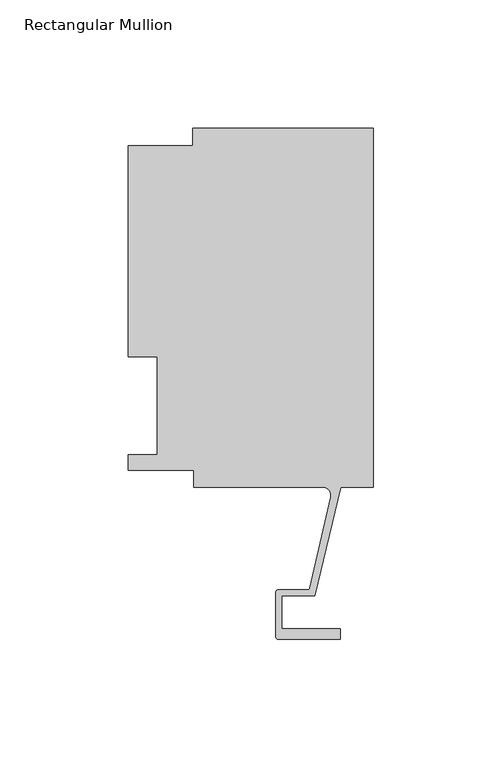
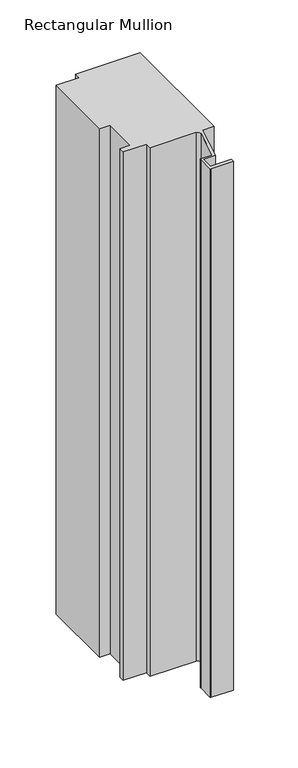
"""IFC4 building model written with IfcOpenShell, lengths in millimetres: member geometry, Rectangular Mullion."""

from ifc_helpers import new_model, si_unit, point, frame, frame_2d, origin, place, context, project, spatial, polyline, circle_curve, trimmed, segment, composite_curve, outline, extrude, source, transform, mapped, element, save


def rectangular_mullion_a6b42ee6(model_context):
    return source(origin(), model_context, "Body", "SweptSolid", [
        extrude(outline(composite_curve([segment(polyline([(-70.3072, 133.3497673), (0.0, 133.3497673), (0.0, -6.2261964), (-12.7, -6.2261964), (-22.7594087, -48.4980559), (-35.5718677, -48.4980559), (-35.5718677, -61.4062974), (-12.7611926, -61.4062974), (-12.7611926, -65.3940974), (-37.0704677, -65.3940974)]), True, "CONTINUOUS"), segment(trimmed(circle_curve(frame_2d((-37.0704677, -64.6066974)), 0.7874), [point((-37.0704677, -65.3940974))], [point((-37.8578677, -64.6066974))], False, "CARTESIAN"), True, "CONTINUOUS"), segment(polyline([(-37.8578677, -64.6066974), (-37.8578677, -46.9740559)]), True, "CONTINUOUS"), segment(trimmed(circle_curve(frame_2d((-37.0958677, -46.9740559)), 0.762), [point((-37.8578677, -46.9740559))], [point((-37.0958677, -46.2120559))], False, "CARTESIAN"), True, "CONTINUOUS"), segment(polyline([(-37.0958677, -46.2120559), (-25.3893173, -46.2120559)]), True, "CONTINUOUS"), segment(trimmed(circle_curve(frame_2d((-25.3679884, -45.4775786)), 0.7347869), [point((-25.3893173, -46.2120559))], [point((-24.6514289, -45.6402261))], True, "CARTESIAN"), True, "CONTINUOUS"), segment(polyline([(-24.6514289, -45.6402261), (-16.585275, -10.1039944)]), True, "CONTINUOUS"), segment(trimmed(circle_curve(frame_2d((-19.681515, -9.4011976)), 3.175), [point((-16.585275, -10.1039944))], [point((-19.681515, -6.2261976))], True, "CARTESIAN"), True, "CONTINUOUS"), segment(polyline([(-19.681515, -6.2261976), (-69.85, -6.2261976), (-69.85, 0.4063003), (-95.25, 0.4063003), (-95.25, 6.35), (-84.1375, 6.35), (-84.1375, 44.45), (-95.25, 44.45), (-95.25, 126.6189003), (-70.3072, 126.6189003), (-70.3072, 133.3497673)]), True, "CONTINUOUS")], self_intersect=False)), frame((0.0, 0.0, -609.6), z_axis=(0.0, 0.0, 1.0), x_axis=(1.0, 0.0, 0.0)), (0.0, 0.0, 1.0), 609.6),
    ])


if __name__ == "__main__":
    model = new_model("IFC4")
    model_context = context("Model", 3, world=origin())
    ifc_project = project(units=[si_unit("LENGTHUNIT", "METRE", prefix="MILLI")], contexts=[model_context])
    site = spatial("IfcSite", under=ifc_project)
    building = spatial("IfcBuilding", under=site)
    placement = place(None, origin())
    rectangular_mullion_shape = rectangular_mullion_a6b42ee6(model_context)
    element("IfcMember", 1, ObjectType="Rectangular Mullion", at=placement, inside=building, context=model_context, shape_type="MappedRepresentation", body=[
        mapped(rectangular_mullion_shape, transform((0.0, 0.0, 0.0), x_axis=(1.0, 0.0, 0.0), y_axis=(0.0, 1.0, 0.0), z_axis=(0.0, 0.0, 1.0))),
    ])
    save(model, "model.ifc")
